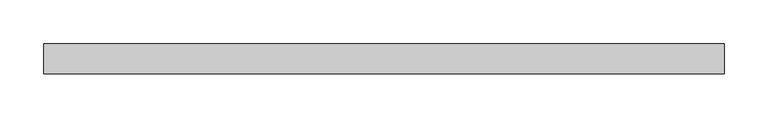
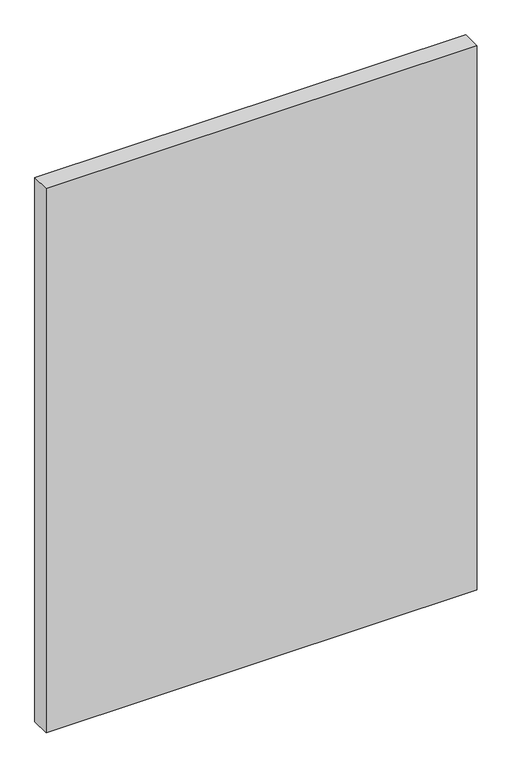
"""IFC4 building model written with IfcOpenShell, lengths in millimetres: plate geometry."""

from ifc_helpers import new_model, si_unit, origin, origin_with_axes, place, context, project, spatial, polyline, outline, extrude, source, transform, mapped, element, save


def plate_bc696eab(model_context):
    return source(origin(), model_context, "Body", "SweptSolid", [
        extrude(outline(polyline([(391.3125, -17.5), (-391.3125, -17.5), (-391.3125, 17.5), (391.3125, 17.5), (391.3125, -17.5)])), origin_with_axes(), (0.0, 0.0, 1.0), 1043.8125),
    ])


if __name__ == "__main__":
    model = new_model("IFC4")
    model_context = context("Model", 3, world=origin())
    ifc_project = project(units=[si_unit("LENGTHUNIT", "METRE", prefix="MILLI")], contexts=[model_context])
    site = spatial("IfcSite", under=ifc_project)
    building = spatial("IfcBuilding", under=site)
    placement = place(None, origin())
    plate_shape = plate_bc696eab(model_context)
    element("IfcPlate", 1, at=placement, inside=building, context=model_context, shape_type="MappedRepresentation", body=[
        mapped(plate_shape, transform((0.0, 0.0, 0.0), x_axis=(1.0, 0.0, 0.0), y_axis=(0.0, 1.0, 0.0), z_axis=(0.0, 0.0, 1.0))),
    ])
    save(model, "model.ifc")
